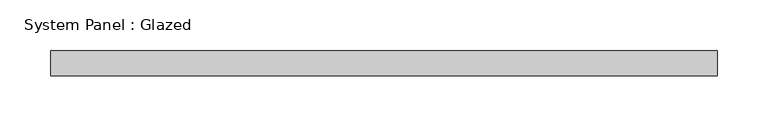
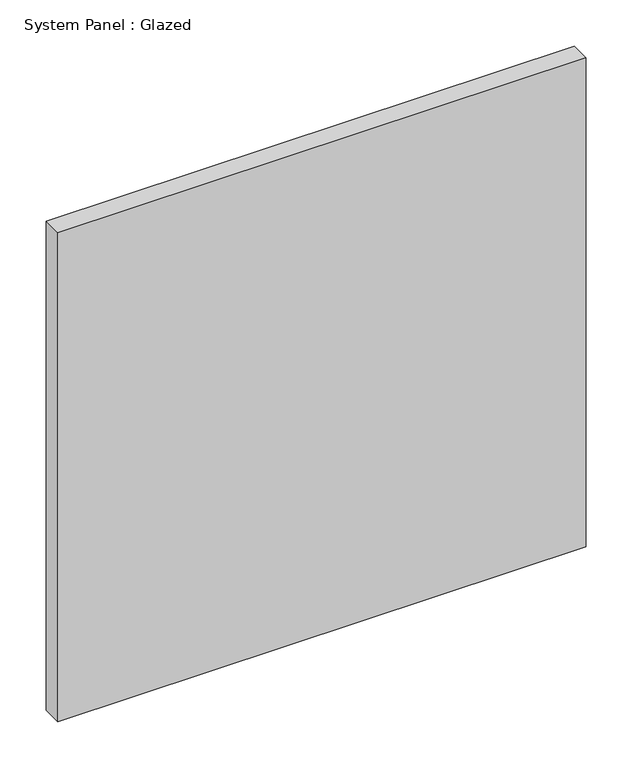
"""IFC4 building model written with IfcOpenShell, lengths in millimetres: plate geometry, System Panel : Glazed."""

from ifc_helpers import new_model, si_unit, origin, origin_with_axes, place, context, project, spatial, polyline, outline, extrude, source, transform, mapped, element, save


def system_panel_glazed_2602248a(model_context):
    return source(origin(), model_context, "Body", "SweptSolid", [
        extrude(outline(polyline([(329.5, -49.5), (-329.5, -49.5), (-329.5, -24.5), (329.5, -24.5), (329.5, -49.5)])), origin_with_axes(), (0.0, 0.0, 1.0), 645.0),
    ])


if __name__ == "__main__":
    model = new_model("IFC4")
    model_context = context("Model", 3, world=origin())
    ifc_project = project(units=[si_unit("LENGTHUNIT", "METRE", prefix="MILLI")], contexts=[model_context])
    site = spatial("IfcSite", under=ifc_project)
    building = spatial("IfcBuilding", under=site)
    placement = place(None, origin())
    system_panel_glazed_shape = system_panel_glazed_2602248a(model_context)
    element("IfcPlate", 1, ObjectType="System Panel : Glazed", at=placement, inside=building, context=model_context, shape_type="MappedRepresentation", body=[
        mapped(system_panel_glazed_shape, transform((0.0, 0.0, 0.0), x_axis=(1.0, 0.0, 0.0), y_axis=(0.0, 1.0, 0.0), z_axis=(0.0, 0.0, 1.0))),
    ])
    save(model, "model.ifc")
